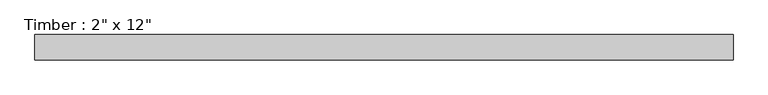
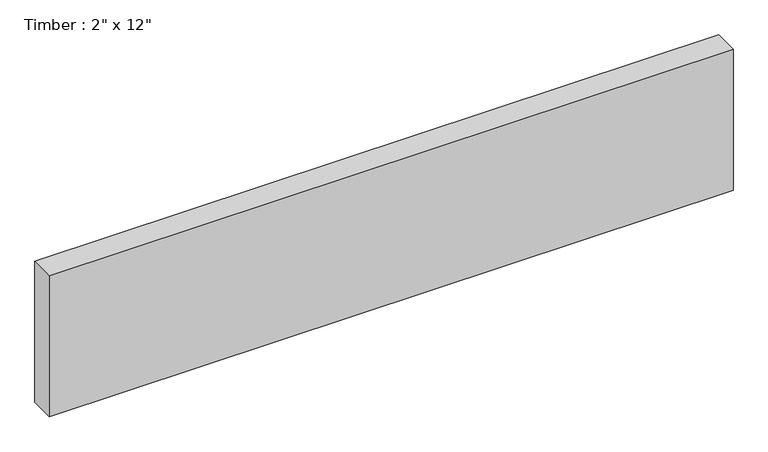
"""IFC4 building model written with IfcOpenShell, lengths in millimetres: beam geometry."""

import ifcopenshell
import ifcopenshell.guid

model = None  # the IFC model being written
_history = None  # IfcOwnerHistory: only IFC2X3 demands one
_inside = {}  # id of a spatial element -> (the spatial element, [elements in it])
_under = {}  # id of a project, library or spatial element -> (it, [spatial elements below it])
_declared = {}  # id of a project -> (the project, [libraries it declares])
_typed = {}  # id of a type object -> (the type object, [elements of that type])
_made_of = {}  # id of a material, layer set ... -> (it, [elements and type objects made of it])


def new_model(schema):
    """Start an empty IFC model of exactly this schema.

    Asked for "IFC4X3", IfcOpenShell would pick the latest addendum, in which some entities
    have other attributes; the version numbers below select the first issue.
    IFC2X3 requires an IfcOwnerHistory on every rooted entity: one is made here for all.
    """
    global model, _history
    if schema == "IFC4X3":
        model = ifcopenshell.file(schema_version=(4, 3, 0, 0))
    else:
        model = ifcopenshell.file(schema=schema)
    _inside.clear()
    _under.clear()
    _declared.clear()
    _typed.clear()
    _made_of.clear()
    _history = None
    if model.schema == "IFC2X3":
        org = make("IfcOrganization", Name="unknown")
        user = make(
            "IfcPersonAndOrganization",
            ThePerson=make("IfcPerson", FamilyName="unknown"),
            TheOrganization=org,
        )
        app = make(
            "IfcApplication",
            ApplicationDeveloper=org,
            Version="unknown",
            ApplicationFullName="unknown",
            ApplicationIdentifier="unknown",
        )
        _history = make(
            "IfcOwnerHistory",
            OwningUser=user,
            OwningApplication=app,
            ChangeAction="ADDED",
            CreationDate=0,
        )
    return model


def make(cls, **values):
    """One entity of the class cls with the attributes given. An attribute that is None is left unset."""
    return model.create_entity(
        cls, **{name: value for name, value in values.items() if value is not None}
    )


def rooted(cls, **values):
    """An entity with a GlobalId (a new one), such as an element, a storey or a relation."""
    return make(cls, GlobalId=ifcopenshell.guid.new(), OwnerHistory=_history, **values)


def si_unit(unit_type, name, prefix=None):
    """IfcSIUnit, for example si_unit("LENGTHUNIT", "METRE", prefix="MILLI")."""
    return make("IfcSIUnit", UnitType=unit_type, Prefix=prefix, Name=name)


def assignment(units):
    """IfcUnitAssignment: the units of a project."""
    return None if units is None else make("IfcUnitAssignment", Units=units)


def point(xyz):
    """IfcCartesianPoint."""
    return None if xyz is None else make("IfcCartesianPoint", Coordinates=xyz)


def direction(xyz):
    """IfcDirection."""
    return None if xyz is None else make("IfcDirection", DirectionRatios=xyz)


def frame(location, z_axis=None, x_axis=None):
    """IfcAxis2Placement3D, a coordinate frame: its origin and axes. An axis left out is left unset."""
    return make(
        "IfcAxis2Placement3D",
        Location=point(location),
        Axis=direction(z_axis),
        RefDirection=direction(x_axis),
    )


def origin():
    """The frame at (0, 0, 0) with its axes left unset."""
    return frame((0.0, 0.0, 0.0))


def place(relative_to, where):
    """IfcLocalPlacement: puts the frame where relative to a parent placement (None: the world)."""
    return make(
        "IfcLocalPlacement", PlacementRelTo=relative_to, RelativePlacement=where
    )


def context(
    kind, dimensions, precision=None, world=None, true_north=None, identifier=None
):
    """IfcGeometricRepresentationContext, for example the 3D "Model" context."""
    return make(
        "IfcGeometricRepresentationContext",
        ContextIdentifier=identifier,
        ContextType=kind,
        CoordinateSpaceDimension=dimensions,
        Precision=precision,
        WorldCoordinateSystem=world,
        TrueNorth=true_north,
    )


def project(units=None, contexts=None):
    """IfcProject with its units and contexts."""
    return rooted(
        "IfcProject",
        Name="project",
        RepresentationContexts=contexts,
        UnitsInContext=assignment(units),
    )


def spatial(cls, under=None, at=None, **own):
    """A site, building, storey or space (cls), placed at a placement, below another one or the project."""
    s = rooted(cls, ObjectPlacement=at, **own)
    if under is not None:
        _under.setdefault(under.id(), (under, []))[1].append(s)
    return s


def polyline(points):
    """IfcPolyline through the points."""
    return make("IfcPolyline", Points=[point(p) for p in points])


def outline(outer, holes=None, kind="AREA"):
    """IfcArbitraryClosedProfileDef: a profile drawn as a closed curve; with holes, ...WithVoids."""
    if holes is None:
        return make("IfcArbitraryClosedProfileDef", ProfileType=kind, OuterCurve=outer)
    return make(
        "IfcArbitraryProfileDefWithVoids",
        ProfileType=kind,
        OuterCurve=outer,
        InnerCurves=holes,
    )


def extrude(swept, where, along, depth):
    """IfcExtrudedAreaSolid: the profile swept, set in the frame where, extruded along a direction by depth."""
    return make(
        "IfcExtrudedAreaSolid",
        SweptArea=swept,
        Position=where,
        ExtrudedDirection=direction(along),
        Depth=depth,
    )


def shape(context_of_items, identifier, shape_type, items):
    """IfcShapeRepresentation: the items that make up one representation, for example the "Body"."""
    return make(
        "IfcShapeRepresentation",
        ContextOfItems=context_of_items,
        RepresentationIdentifier=identifier,
        RepresentationType=shape_type,
        Items=items,
    )


def source(mapping_origin, context_of_items, identifier, shape_type, items):
    """IfcRepresentationMap: a shape defined once, which mapped items show again and again."""
    return make(
        "IfcRepresentationMap",
        MappingOrigin=mapping_origin,
        MappedRepresentation=shape(context_of_items, identifier, shape_type, items),
    )


def transform(
    local_origin,
    x_axis=None,
    y_axis=None,
    z_axis=None,
    scale=None,
    scale2=None,
    scale3=None,
    uniform=True,
):
    """IfcCartesianTransformationOperator3D, or its non-uniform kind. x_axis, y_axis, z_axis: its Axis1, 2, 3."""
    if uniform:
        return make(
            "IfcCartesianTransformationOperator3D",
            Axis1=direction(x_axis),
            Axis2=direction(y_axis),
            LocalOrigin=point(local_origin),
            Scale=scale,
            Axis3=direction(z_axis),
        )
    return make(
        "IfcCartesianTransformationOperator3DnonUniform",
        Axis1=direction(x_axis),
        Axis2=direction(y_axis),
        LocalOrigin=point(local_origin),
        Scale=scale,
        Axis3=direction(z_axis),
        Scale2=scale2,
        Scale3=scale3,
    )


def mapped(mapping_source, mapping_target):
    """IfcMappedItem: shows the shape of a source again, moved by a transform."""
    return make(
        "IfcMappedItem", MappingSource=mapping_source, MappingTarget=mapping_target
    )


def made_of(thing, what):
    """Note that an element or type object is made of a material, layer set ...; save() writes the relation."""
    if what is not None:
        _made_of.setdefault(what.id(), (what, []))[1].append(thing)
    return thing


def element(
    cls,
    number,
    at=None,
    inside=None,
    cuts=None,
    type_object=None,
    material=None,
    context=None,
    identifier="Body",
    shape_type=None,
    held_by="IfcProductDefinitionShape",
    body=None,
    shapes=None,
    **own,
):
    """One element of the class cls, such as IfcWall. Its Tag is "e" and its number.

    at: its placement. inside: the storey or other place that contains it. cuts: it is an
    opening in that element (IfcRelVoidsElement). A single representation is given by context,
    identifier, shape_type and body (its items); several are given by shapes. held_by: the class
    of the entity that holds the representations. save() writes the other relations.
    """
    e = rooted(cls, Tag="e%d" % number, ObjectPlacement=at, **own)
    if body is not None:
        shapes = [shape(context, identifier, shape_type, body)]
    if shapes is not None:
        e.Representation = make(held_by, Representations=shapes)
    if inside is not None:
        _inside.setdefault(inside.id(), (inside, []))[1].append(e)
    if cuts is not None:
        rooted(
            "IfcRelVoidsElement", RelatingBuildingElement=cuts, RelatedOpeningElement=e
        )
    if type_object is not None:
        _typed.setdefault(type_object.id(), (type_object, []))[1].append(e)
    return made_of(e, material)


def aggregate(whole, parts):
    """IfcRelAggregates: a whole, such as a stair, and the parts it consists of."""
    return rooted("IfcRelAggregates", RelatingObject=whole, RelatedObjects=parts)


def save(model, path):
    """Write the relations noted so far, then the file.

    IfcRelAggregates (storeys below a building ...), IfcRelContainedInSpatialStructure (elements
    in a storey), IfcRelDefinesByType, IfcRelAssociatesMaterial and IfcRelDeclares: one each for
    every whole, place, type object, material and project.
    """
    for whole, parts in _under.values():
        aggregate(whole, parts)
    for where, things in _inside.values():
        rooted(
            "IfcRelContainedInSpatialStructure",
            RelatedElements=things,
            RelatingStructure=where,
        )
    for kind, things in _typed.values():
        rooted("IfcRelDefinesByType", RelatedObjects=things, RelatingType=kind)
    for what, things in _made_of.values():
        rooted("IfcRelAssociatesMaterial", RelatedObjects=things, RelatingMaterial=what)
    for by, libraries in _declared.values():
        rooted("IfcRelDeclares", RelatingContext=by, RelatedDefinitions=libraries)
    model.write(path)


def beam_f4ca88c4(model_context):
    return source(origin(), model_context, "Body", "SweptSolid", [
        extrude(outline(polyline([(698.5, 25.4), (698.5, -25.4), (-698.5, -25.4), (-698.5, 25.4), (698.5, 25.4)])), frame((0.0, 0.0, -152.4), z_axis=(0.0, 0.0, 1.0), x_axis=(1.0, 0.0, 0.0)), (0.0, 0.0, 1.0), 304.8),
    ])


if __name__ == "__main__":
    model = new_model("IFC4")
    model_context = context("Model", 3, world=origin())
    ifc_project = project(units=[si_unit("LENGTHUNIT", "METRE", prefix="MILLI")], contexts=[model_context])
    site = spatial("IfcSite", under=ifc_project)
    building = spatial("IfcBuilding", under=site)
    placement = place(None, origin())
    beam_shape = beam_f4ca88c4(model_context)
    element("IfcBeam", 1, ObjectType="Timber : 2\" x 12\"", at=placement, inside=building, context=model_context, shape_type="MappedRepresentation", body=[
        mapped(beam_shape, transform((0.0, 0.0, 0.0), x_axis=(1.0, 0.0, 0.0), y_axis=(0.0, 1.0, 0.0), z_axis=(0.0, 0.0, 1.0))),
    ])
    save(model, "model.ifc")
